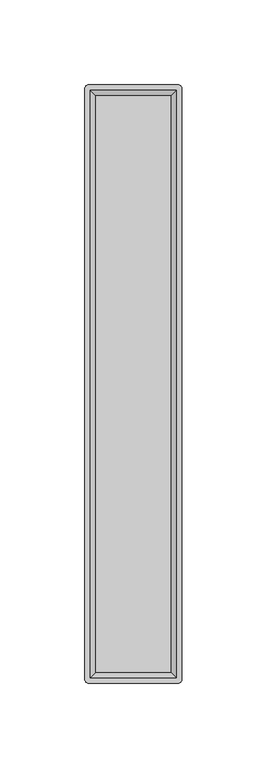
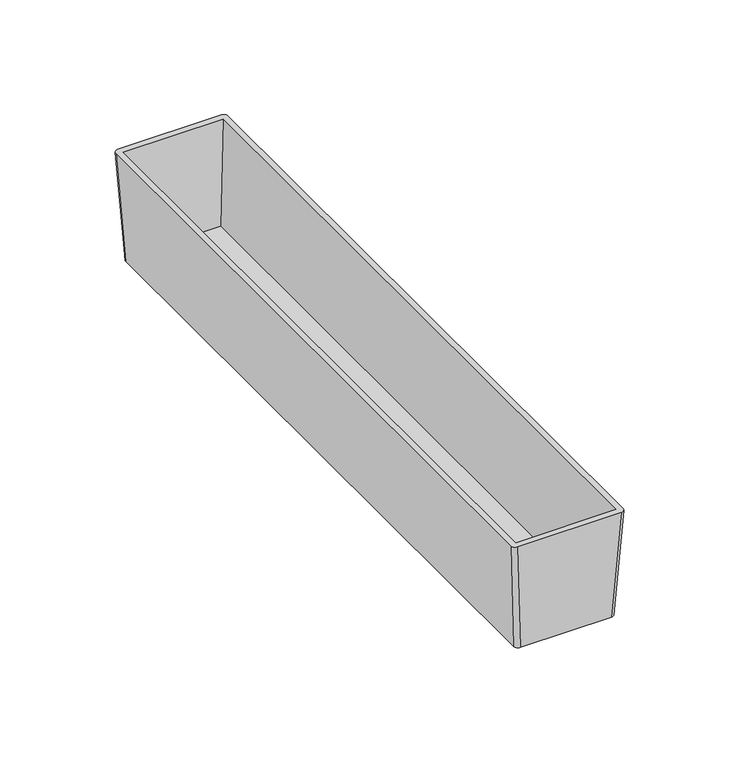
"""IFC4 building model written with IfcOpenShell, lengths in millimetres: furniture geometry."""

from ifc_helpers import new_model, si_unit, point, frame, origin, place, context, project, spatial, circle_curve, trimmed, source, transform, mapped, element, save
from ifc_brep_helpers import plane_surface, extruded_surface, advanced_brep


def furniture_7668c153(model_context):
    return source(origin(), model_context, "Body", "AdvancedBrep", [
        advanced_brep(
        [(23.1775, 173.0375, 908.05), (25.4, 170.815, 908.05), (25.4, -170.815, 908.05), (23.1775, -173.0375, 908.05), (-23.1775, -173.0375, 908.05), (-25.4, -170.815, 908.05), (-25.4, 170.815, 908.05), (-23.1775, 173.0375, 908.05), (26.3525, 176.2125, 965.2), (-26.3525, 176.2125, 965.2), (-28.575, 173.99, 965.2), (-28.575, -173.99, 965.2), (-26.3525, -176.2125, 965.2), (26.3525, -176.2125, 965.2), (28.575, -173.99, 965.2), (28.575, 173.99, 965.2), (-25.4, 173.0375, 965.2), (25.4, 173.0375, 965.2), (25.4, -173.0375, 965.2), (-25.4, -173.0375, 965.2), (22.225, 169.8625, 910.59), (-22.225, 169.8625, 910.59), (-22.225, -169.8625, 910.59), (22.225, -169.8625, 910.59)],
        [
            (0, 1, circle_curve(frame((23.1775, 170.815, 908.05), z_axis=(0.0, 0.0, -1.0), x_axis=(-1.0, 0.0, 0.0)), 2.2225)),
            (1, 2),
            (2, 3, circle_curve(frame((23.1775, -170.815, 908.05), z_axis=(0.0, 0.0, -1.0), x_axis=(-1.0, 0.0, 0.0)), 2.2225)),
            (3, 4),
            (4, 5, circle_curve(frame((-23.1775, -170.815, 908.05), z_axis=(0.0, 0.0, -1.0), x_axis=(-1.0, 0.0, 0.0)), 2.2225)),
            (5, 6),
            (6, 7, circle_curve(frame((-23.1775, 170.815, 908.05), z_axis=(0.0, 0.0, -1.0), x_axis=(-1.0, 0.0, 0.0)), 2.2225)),
            (7, 0),
            (8, 9),
            (9, 10, circle_curve(frame((-26.3525, 173.99, 965.2), z_axis=(0.0, 0.0, 1.0), x_axis=(-1.0, 0.0, 0.0)), 2.2225)),
            (10, 11),
            (11, 12, circle_curve(frame((-26.3525, -173.99, 965.2), z_axis=(0.0, 0.0, 1.0), x_axis=(-1.0, 0.0, 0.0)), 2.2225)),
            (12, 13),
            (13, 14, circle_curve(frame((26.3525, -173.99, 965.2), z_axis=(0.0, 0.0, 1.0), x_axis=(-1.0, 0.0, 0.0)), 2.2225)),
            (14, 15),
            (15, 8, circle_curve(frame((26.3525, 173.99, 965.2), z_axis=(0.0, 0.0, 1.0), x_axis=(-1.0, 0.0, 0.0)), 2.2225)),
            (16, 17),
            (17, 18),
            (18, 19),
            (19, 16),
            (7, 9),
            (8, 0),
            (6, 10),
            (5, 11),
            (4, 12),
            (3, 13),
            (2, 14),
            (1, 15),
            (20, 21),
            (21, 22),
            (22, 23),
            (23, 20),
            (20, 17),
            (16, 21),
            (19, 22),
            (18, 23),
        ],
        [
            plane_surface(frame((0.0, 0.0, 908.05), z_axis=(0.0, 0.0, -1.0), x_axis=(-1.0, 0.0, 0.0))),
            plane_surface(frame((0.0, 0.0, 965.2), z_axis=(0.0, 0.0, 1.0), x_axis=(-1.0, 0.0, 0.0))),
            plane_surface(frame((0.0, 176.2125, 965.2), z_axis=(0.0, 0.9984603532054985, -0.055470019620974004), x_axis=(1.0, 0.0, 0.0))),
            extruded_surface(trimmed(circle_curve(frame((-26.3525, 173.99, 965.2), z_axis=(0.0, 0.0, -1.0), x_axis=(-1.0, 0.0, 0.0)), 2.2225), [point((-28.575, 173.99, 965.2))], [point((-26.3525, 176.2125, 965.2))], True, "CARTESIAN"), (3.1750000000000007, -3.1750000000000114, -57.15000000000009), 57.32611752072532),
            plane_surface(frame((-28.575, 0.0, 965.2), z_axis=(-0.9984603532054228, 0.0, -0.05547001962233689), x_axis=(0.0, 1.0, 0.0))),
            extruded_surface(trimmed(circle_curve(frame((-26.3525, -173.99, 965.2), z_axis=(0.0, 0.0, -1.0), x_axis=(-1.0, 0.0, 0.0)), 2.2225), [point((-26.3525, -176.2125, 965.2))], [point((-28.575, -173.99, 965.2))], True, "CARTESIAN"), (3.1750000000000007, 3.1750000000000114, -57.15000000000009), 57.32611752072532),
            plane_surface(frame((0.0, -176.2125, 965.2), z_axis=(0.0, -0.9984603532054979, -0.05547001962098697), x_axis=(-1.0, 0.0, 0.0))),
            extruded_surface(trimmed(circle_curve(frame((26.3525, -173.99, 965.2), z_axis=(0.0, 0.0, -1.0), x_axis=(-1.0, 0.0, 0.0)), 2.2225), [point((28.575, -173.99, 965.2))], [point((26.3525, -176.2125, 965.2))], True, "CARTESIAN"), (-3.1750000000000007, 3.1750000000000114, -57.15000000000009), 57.32611752072532),
            plane_surface(frame((28.575, 0.0, 965.2), z_axis=(0.9984603532054152, 0.0, -0.055470019622474366), x_axis=(0.0, -1.0, 0.0))),
            extruded_surface(trimmed(circle_curve(frame((26.3525, 173.99, 965.2), z_axis=(0.0, 0.0, -1.0), x_axis=(-1.0, 0.0, 0.0)), 2.2225), [point((26.3525, 176.2125, 965.2))], [point((28.575, 173.99, 965.2))], True, "CARTESIAN"), (-3.1750000000000007, -3.1750000000000114, -57.15000000000009), 57.32611752072532),
            plane_surface(frame((0.0, 0.0, 910.59), z_axis=(0.0, 0.0, 1.0), x_axis=(-1.0, 0.0, 0.0))),
            plane_surface(frame((0.0, 173.0375, 965.2), z_axis=(0.0, -0.9983141698791151, 0.05804152150463695), x_axis=(1.0, 0.0, 0.0))),
            plane_surface(frame((-25.4, 0.0, 965.2), z_axis=(0.9983141698791163, 0.0, 0.05804152150461953), x_axis=(0.0, 1.0, 0.0))),
            plane_surface(frame((0.0, -173.0375, 965.2), z_axis=(0.0, 0.9983141698789251, 0.0580415215079058), x_axis=(-1.0, 0.0, 0.0))),
            plane_surface(frame((25.4, 0.0, 965.2), z_axis=(-0.998314169879097, 0.0, 0.05804152150494846), x_axis=(0.0, -1.0, 0.0))),
        ],
        [
            (0, [[1, 2, 3, 4, 5, 6, 7, 8]]),
            (1, [[9, 10, 11, 12, 13, 14, 15, 16], [17, 18, 19, 20]]),
            (2, [[-8, 21, -9, 22]]),
            (3, [[-7, 23, -10, -21]]),
            (4, [[-6, 24, -11, -23]]),
            (5, [[-5, 25, -12, -24]]),
            (6, [[-4, 26, -13, -25]]),
            (7, [[-3, 27, -14, -26]]),
            (8, [[-2, 28, -15, -27]]),
            (9, [[-1, -22, -16, -28]]),
            (10, [[29, 30, 31, 32]]),
            (11, [[-29, 33, -17, 34]]),
            (12, [[-30, -34, -20, 35]]),
            (13, [[-31, -35, -19, 36]]),
            (14, [[-32, -36, -18, -33]]),
        ],
    ),
    ])


if __name__ == "__main__":
    model = new_model("IFC4")
    model_context = context("Model", 3, world=origin())
    ifc_project = project(units=[si_unit("LENGTHUNIT", "METRE", prefix="MILLI")], contexts=[model_context])
    site = spatial("IfcSite", under=ifc_project)
    building = spatial("IfcBuilding", under=site)
    placement = place(None, origin())
    furniture_shape = furniture_7668c153(model_context)
    element("IfcFurniture", 1, at=placement, inside=building, context=model_context, shape_type="MappedRepresentation", body=[
        mapped(furniture_shape, transform((0.0, 0.0, 0.0), x_axis=(1.0, 0.0, 0.0), y_axis=(0.0, 1.0, 0.0), z_axis=(0.0, 0.0, 1.0))),
    ])
    save(model, "model.ifc")
